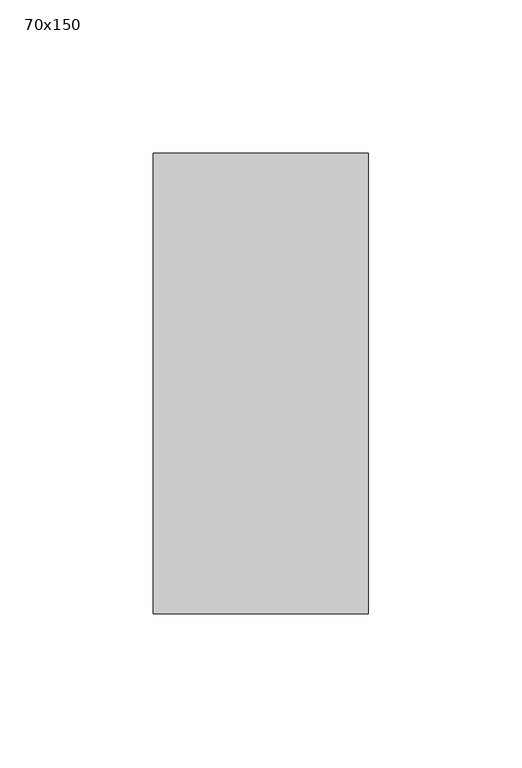
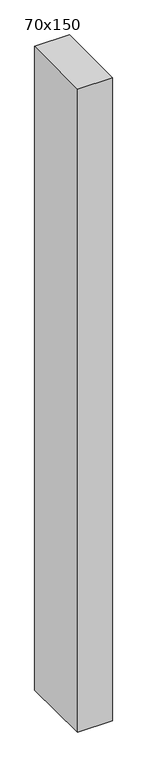
"""IFC4 building model written with IfcOpenShell, lengths in millimetres: member geometry, 70x150."""

from ifc_helpers import new_model, si_unit, frame, origin, place, context, project, spatial, polyline, outline, extrude, source, transform, mapped, element, save


def member_70x150_05430b31(model_context):
    return source(origin(), model_context, "Body", "SweptSolid", [
        extrude(outline(polyline([(-75.0, -0.0683941), (75.0, 0.0683941), (75.0, -1372.9830925), (-75.0, -1371.0331194), (-75.0, -0.0683941)])), frame((-70.0, 0.0, 0.0), z_axis=(1.0, 0.0, 0.0), x_axis=(0.0, 1.0, 0.0)), (0.0, 0.0, 1.0), 70.0),
    ])


if __name__ == "__main__":
    model = new_model("IFC4")
    model_context = context("Model", 3, world=origin())
    ifc_project = project(units=[si_unit("LENGTHUNIT", "METRE", prefix="MILLI")], contexts=[model_context])
    site = spatial("IfcSite", under=ifc_project)
    building = spatial("IfcBuilding", under=site)
    placement = place(None, origin())
    member_70x150_shape = member_70x150_05430b31(model_context)
    element("IfcMember", 1, ObjectType="70x150", at=placement, inside=building, context=model_context, shape_type="MappedRepresentation", body=[
        mapped(member_70x150_shape, transform((0.0, 0.0, 0.0), x_axis=(1.0, 0.0, 0.0), y_axis=(0.0, 1.0, 0.0), z_axis=(0.0, 0.0, 1.0))),
    ])
    save(model, "model.ifc")
